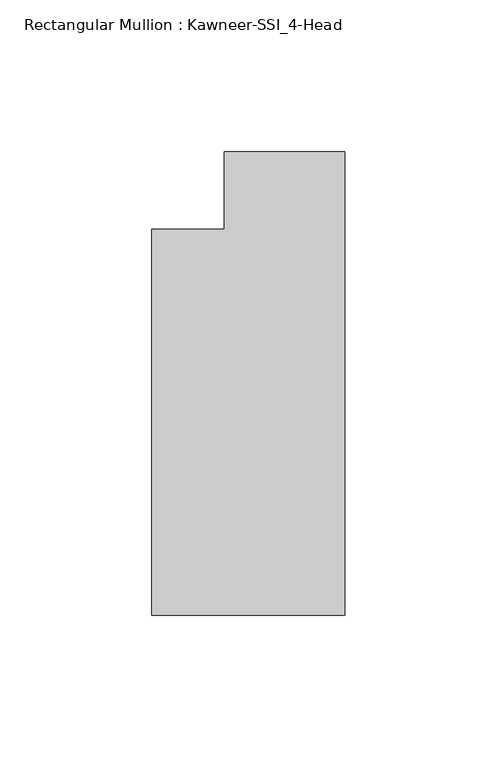
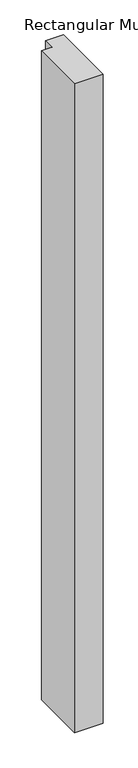
"""IFC4 building model written with IfcOpenShell, lengths in millimetres: member geometry, Rectangular Mullion : Kawneer-SSI_4-Head."""

import ifcopenshell
import ifcopenshell.guid

model = None  # the IFC model being written
_history = None  # IfcOwnerHistory: only IFC2X3 demands one
_inside = {}  # id of a spatial element -> (the spatial element, [elements in it])
_under = {}  # id of a project, library or spatial element -> (it, [spatial elements below it])
_declared = {}  # id of a project -> (the project, [libraries it declares])
_typed = {}  # id of a type object -> (the type object, [elements of that type])
_made_of = {}  # id of a material, layer set ... -> (it, [elements and type objects made of it])


def new_model(schema):
    """Start an empty IFC model of exactly this schema.

    Asked for "IFC4X3", IfcOpenShell would pick the latest addendum, in which some entities
    have other attributes; the version numbers below select the first issue.
    IFC2X3 requires an IfcOwnerHistory on every rooted entity: one is made here for all.
    """
    global model, _history
    if schema == "IFC4X3":
        model = ifcopenshell.file(schema_version=(4, 3, 0, 0))
    else:
        model = ifcopenshell.file(schema=schema)
    _inside.clear()
    _under.clear()
    _declared.clear()
    _typed.clear()
    _made_of.clear()
    _history = None
    if model.schema == "IFC2X3":
        org = make("IfcOrganization", Name="unknown")
        user = make(
            "IfcPersonAndOrganization",
            ThePerson=make("IfcPerson", FamilyName="unknown"),
            TheOrganization=org,
        )
        app = make(
            "IfcApplication",
            ApplicationDeveloper=org,
            Version="unknown",
            ApplicationFullName="unknown",
            ApplicationIdentifier="unknown",
        )
        _history = make(
            "IfcOwnerHistory",
            OwningUser=user,
            OwningApplication=app,
            ChangeAction="ADDED",
            CreationDate=0,
        )
    return model


def make(cls, **values):
    """One entity of the class cls with the attributes given. An attribute that is None is left unset."""
    return model.create_entity(
        cls, **{name: value for name, value in values.items() if value is not None}
    )


def rooted(cls, **values):
    """An entity with a GlobalId (a new one), such as an element, a storey or a relation."""
    return make(cls, GlobalId=ifcopenshell.guid.new(), OwnerHistory=_history, **values)


def si_unit(unit_type, name, prefix=None):
    """IfcSIUnit, for example si_unit("LENGTHUNIT", "METRE", prefix="MILLI")."""
    return make("IfcSIUnit", UnitType=unit_type, Prefix=prefix, Name=name)


def assignment(units):
    """IfcUnitAssignment: the units of a project."""
    return None if units is None else make("IfcUnitAssignment", Units=units)


def point(xyz):
    """IfcCartesianPoint."""
    return None if xyz is None else make("IfcCartesianPoint", Coordinates=xyz)


def direction(xyz):
    """IfcDirection."""
    return None if xyz is None else make("IfcDirection", DirectionRatios=xyz)


def frame(location, z_axis=None, x_axis=None):
    """IfcAxis2Placement3D, a coordinate frame: its origin and axes. An axis left out is left unset."""
    return make(
        "IfcAxis2Placement3D",
        Location=point(location),
        Axis=direction(z_axis),
        RefDirection=direction(x_axis),
    )


def origin():
    """The frame at (0, 0, 0) with its axes left unset."""
    return frame((0.0, 0.0, 0.0))


def place(relative_to, where):
    """IfcLocalPlacement: puts the frame where relative to a parent placement (None: the world)."""
    return make(
        "IfcLocalPlacement", PlacementRelTo=relative_to, RelativePlacement=where
    )


def context(
    kind, dimensions, precision=None, world=None, true_north=None, identifier=None
):
    """IfcGeometricRepresentationContext, for example the 3D "Model" context."""
    return make(
        "IfcGeometricRepresentationContext",
        ContextIdentifier=identifier,
        ContextType=kind,
        CoordinateSpaceDimension=dimensions,
        Precision=precision,
        WorldCoordinateSystem=world,
        TrueNorth=true_north,
    )


def project(units=None, contexts=None):
    """IfcProject with its units and contexts."""
    return rooted(
        "IfcProject",
        Name="project",
        RepresentationContexts=contexts,
        UnitsInContext=assignment(units),
    )


def spatial(cls, under=None, at=None, **own):
    """A site, building, storey or space (cls), placed at a placement, below another one or the project."""
    s = rooted(cls, ObjectPlacement=at, **own)
    if under is not None:
        _under.setdefault(under.id(), (under, []))[1].append(s)
    return s


def polyline(points):
    """IfcPolyline through the points."""
    return make("IfcPolyline", Points=[point(p) for p in points])


def outline(outer, holes=None, kind="AREA"):
    """IfcArbitraryClosedProfileDef: a profile drawn as a closed curve; with holes, ...WithVoids."""
    if holes is None:
        return make("IfcArbitraryClosedProfileDef", ProfileType=kind, OuterCurve=outer)
    return make(
        "IfcArbitraryProfileDefWithVoids",
        ProfileType=kind,
        OuterCurve=outer,
        InnerCurves=holes,
    )


def extrude(swept, where, along, depth):
    """IfcExtrudedAreaSolid: the profile swept, set in the frame where, extruded along a direction by depth."""
    return make(
        "IfcExtrudedAreaSolid",
        SweptArea=swept,
        Position=where,
        ExtrudedDirection=direction(along),
        Depth=depth,
    )


def shape(context_of_items, identifier, shape_type, items):
    """IfcShapeRepresentation: the items that make up one representation, for example the "Body"."""
    return make(
        "IfcShapeRepresentation",
        ContextOfItems=context_of_items,
        RepresentationIdentifier=identifier,
        RepresentationType=shape_type,
        Items=items,
    )


def source(mapping_origin, context_of_items, identifier, shape_type, items):
    """IfcRepresentationMap: a shape defined once, which mapped items show again and again."""
    return make(
        "IfcRepresentationMap",
        MappingOrigin=mapping_origin,
        MappedRepresentation=shape(context_of_items, identifier, shape_type, items),
    )


def transform(
    local_origin,
    x_axis=None,
    y_axis=None,
    z_axis=None,
    scale=None,
    scale2=None,
    scale3=None,
    uniform=True,
):
    """IfcCartesianTransformationOperator3D, or its non-uniform kind. x_axis, y_axis, z_axis: its Axis1, 2, 3."""
    if uniform:
        return make(
            "IfcCartesianTransformationOperator3D",
            Axis1=direction(x_axis),
            Axis2=direction(y_axis),
            LocalOrigin=point(local_origin),
            Scale=scale,
            Axis3=direction(z_axis),
        )
    return make(
        "IfcCartesianTransformationOperator3DnonUniform",
        Axis1=direction(x_axis),
        Axis2=direction(y_axis),
        LocalOrigin=point(local_origin),
        Scale=scale,
        Axis3=direction(z_axis),
        Scale2=scale2,
        Scale3=scale3,
    )


def mapped(mapping_source, mapping_target):
    """IfcMappedItem: shows the shape of a source again, moved by a transform."""
    return make(
        "IfcMappedItem", MappingSource=mapping_source, MappingTarget=mapping_target
    )


def made_of(thing, what):
    """Note that an element or type object is made of a material, layer set ...; save() writes the relation."""
    if what is not None:
        _made_of.setdefault(what.id(), (what, []))[1].append(thing)
    return thing


def element(
    cls,
    number,
    at=None,
    inside=None,
    cuts=None,
    type_object=None,
    material=None,
    context=None,
    identifier="Body",
    shape_type=None,
    held_by="IfcProductDefinitionShape",
    body=None,
    shapes=None,
    **own,
):
    """One element of the class cls, such as IfcWall. Its Tag is "e" and its number.

    at: its placement. inside: the storey or other place that contains it. cuts: it is an
    opening in that element (IfcRelVoidsElement). A single representation is given by context,
    identifier, shape_type and body (its items); several are given by shapes. held_by: the class
    of the entity that holds the representations. save() writes the other relations.
    """
    e = rooted(cls, Tag="e%d" % number, ObjectPlacement=at, **own)
    if body is not None:
        shapes = [shape(context, identifier, shape_type, body)]
    if shapes is not None:
        e.Representation = make(held_by, Representations=shapes)
    if inside is not None:
        _inside.setdefault(inside.id(), (inside, []))[1].append(e)
    if cuts is not None:
        rooted(
            "IfcRelVoidsElement", RelatingBuildingElement=cuts, RelatedOpeningElement=e
        )
    if type_object is not None:
        _typed.setdefault(type_object.id(), (type_object, []))[1].append(e)
    return made_of(e, material)


def aggregate(whole, parts):
    """IfcRelAggregates: a whole, such as a stair, and the parts it consists of."""
    return rooted("IfcRelAggregates", RelatingObject=whole, RelatedObjects=parts)


def save(model, path):
    """Write the relations noted so far, then the file.

    IfcRelAggregates (storeys below a building ...), IfcRelContainedInSpatialStructure (elements
    in a storey), IfcRelDefinesByType, IfcRelAssociatesMaterial and IfcRelDeclares: one each for
    every whole, place, type object, material and project.
    """
    for whole, parts in _under.values():
        aggregate(whole, parts)
    for where, things in _inside.values():
        rooted(
            "IfcRelContainedInSpatialStructure",
            RelatedElements=things,
            RelatingStructure=where,
        )
    for kind, things in _typed.values():
        rooted("IfcRelDefinesByType", RelatedObjects=things, RelatingType=kind)
    for what, things in _made_of.values():
        rooted("IfcRelAssociatesMaterial", RelatedObjects=things, RelatingMaterial=what)
    for by, libraries in _declared.values():
        rooted("IfcRelDeclares", RelatingContext=by, RelatedDefinitions=libraries)
    model.write(path)


def rectangular_mullion_kawneer_ssi_4_head_660df06f(model_context):
    return source(origin(), model_context, "Body", "SweptSolid", [
        extrude(outline(polyline([(-63.5, -139.7), (-63.5, -12.7), (-39.6875, -12.7), (-39.6875, 12.7), (0.0, 12.7), (0.0, -139.7), (-63.5, -139.7)])), frame((0.0, 0.0, -1524.0), z_axis=(0.0, 0.0, 1.0), x_axis=(1.0, 0.0, 0.0)), (0.0, 0.0, 1.0), 1524.0),
    ])


if __name__ == "__main__":
    model = new_model("IFC4")
    model_context = context("Model", 3, world=origin())
    ifc_project = project(units=[si_unit("LENGTHUNIT", "METRE", prefix="MILLI")], contexts=[model_context])
    site = spatial("IfcSite", under=ifc_project)
    building = spatial("IfcBuilding", under=site)
    placement = place(None, origin())
    rectangular_mullion_kawneer_ssi_4_head_shape = rectangular_mullion_kawneer_ssi_4_head_660df06f(model_context)
    element("IfcMember", 1, ObjectType="Rectangular Mullion : Kawneer-SSI_4-Head", at=placement, inside=building, context=model_context, shape_type="MappedRepresentation", body=[
        mapped(rectangular_mullion_kawneer_ssi_4_head_shape, transform((0.0, 0.0, 0.0), x_axis=(1.0, 0.0, 0.0), y_axis=(0.0, 1.0, 0.0), z_axis=(0.0, 0.0, 1.0))),
    ])
    save(model, "model.ifc")
